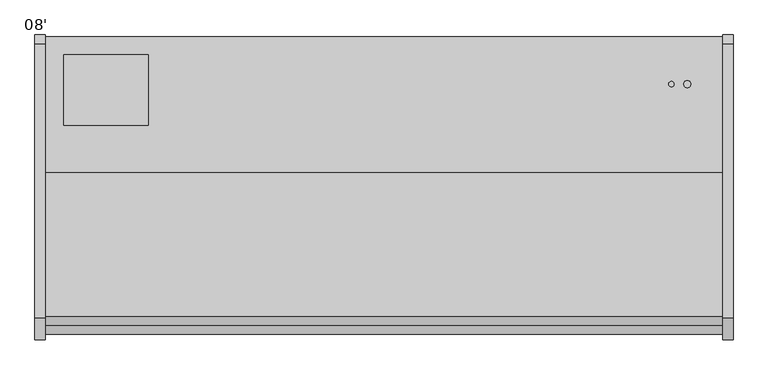
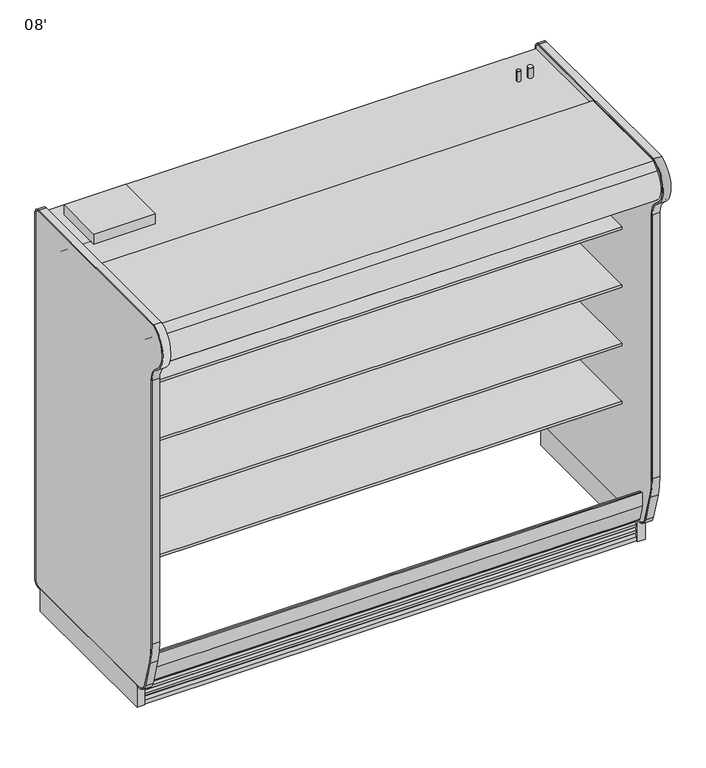
"""IFC4 building model written with IfcOpenShell, lengths in millimetres: proxy geometry, 08'."""

from ifc_helpers import new_model, si_unit, point, frame, frame_2d, origin, origin_with_axes, place, context, project, spatial, polyline, circle_curve, trimmed, segment, composite_curve, outline, extrude, source, transform, mapped, element, save


def proxy_08_edbfc10b(model_context):
    return source(origin(), model_context, "Body", "SweptSolid", [
        extrude(outline(composite_curve([segment(trimmed(circle_curve(frame_2d((-1337.9666753, 1911.7037149)), 12.7), [point((-1350.6666753, 1911.7037149))], [point((-1325.2666753, 1911.7037149))], False, "CARTESIAN"), True, "CONTINUOUS"), segment(trimmed(circle_curve(frame_2d((-1337.9666753, 1911.7037149)), 12.7), [point((-1325.2666753, 1911.7037149))], [point((-1350.6666753, 1911.7037149))], False, "CARTESIAN"), True, "CONTINUOUS")], self_intersect=False)), frame((0.0, 0.0, 0.0), z_axis=(1.0, 0.0, 0.0), x_axis=(0.0, 1.0, 0.0)), (0.0, 0.0, 1.0), 2438.4),
        extrude(outline(composite_curve([segment(trimmed(circle_curve(frame_2d((-1378.1531837, 1911.7037149)), 12.7), [point((-1390.8531837, 1911.7037149))], [point((-1365.4531837, 1911.7037149))], False, "CARTESIAN"), True, "CONTINUOUS"), segment(trimmed(circle_curve(frame_2d((-1378.1531837, 1911.7037149)), 12.7), [point((-1365.4531837, 1911.7037149))], [point((-1390.8531837, 1911.7037149))], False, "CARTESIAN"), True, "CONTINUOUS")], self_intersect=False)), frame((0.0, 0.0, 0.0), z_axis=(1.0, 0.0, 0.0), x_axis=(0.0, 1.0, 0.0)), (0.0, 0.0, 1.0), 2438.4),
        extrude(outline(composite_curve([segment(trimmed(circle_curve(frame_2d((-1187.8634511, 1917.4033113)), 1.5005821), [point((-1186.3628691, 1917.4033113))], [point((-1187.8634511, 1915.9027293))], False, "CARTESIAN"), True, "CONTINUOUS"), segment(polyline([(-1187.8634511, 1915.9027293), (-1279.5169745, 1915.9027293)]), True, "CONTINUOUS"), segment(trimmed(circle_curve(frame_2d((-1279.5169745, 1917.4033113)), 1.5005821), [point((-1279.5169745, 1915.9027293))], [point((-1281.0175566, 1917.4033113))], False, "CARTESIAN"), True, "CONTINUOUS"), segment(polyline([(-1281.0175566, 1917.4033113), (-1281.0175566, 1947.8625), (-1186.3628691, 1947.8625), (-1186.3628691, 1917.4033113)]), True, "CONTINUOUS")], self_intersect=False)), frame((0.0, 0.0, 0.0), z_axis=(1.0, 0.0, 0.0), x_axis=(0.0, 1.0, 0.0)), (0.0, 0.0, 1.0), 2438.4),
        extrude(outline(polyline([(2400.3, -527.982038), (2400.3, -452.3089273), (2438.4, -452.3089273), (2438.4, -527.982038), (2400.3, -527.982038)])), frame((0.0, 0.0, 478.049844), z_axis=(0.0, 0.0, 1.0), x_axis=(1.0, 0.0, 0.0)), (0.0, 0.0, 1.0), 1406.312656),
        extrude(outline(polyline([(38.1, -452.3089273), (38.1, -527.982038), (0.0, -527.982038), (0.0, -452.3089273), (38.1, -452.3089273)])), frame((0.0, 0.0, 478.049844), z_axis=(0.0, 0.0, 1.0), x_axis=(1.0, 0.0, 0.0)), (0.0, 0.0, 1.0), 1406.312656),
        extrude(outline(composite_curve([segment(polyline([(-1282.9027128, 2000.2), (-452.3089273, 2000.2), (-452.3089273, 1884.3625), (-527.982038, 1884.3625)]), True, "CONTINUOUS"), segment(trimmed(circle_curve(frame_2d((-591.482038, 1884.3625)), 63.5), [point((-527.982038, 1884.3625))], [point((-591.482038, 1947.8625))], True, "CARTESIAN"), True, "CONTINUOUS"), segment(polyline([(-591.482038, 1947.8625), (-1184.4777128, 1947.8625), (-1184.4777128, 1917.4033113)]), True, "CONTINUOUS"), segment(trimmed(circle_curve(frame_2d((-1187.8634511, 1917.4033113)), 3.3857383), [point((-1184.4777128, 1917.4033113))], [point((-1187.8634511, 1914.017573))], False, "CARTESIAN"), True, "CONTINUOUS"), segment(polyline([(-1187.8634511, 1914.017573), (-1195.7812565, 1914.017573)]), True, "CONTINUOUS"), segment(trimmed(circle_curve(frame_2d((-1195.7812565, 1914.9601512)), 0.9425781), [point((-1195.7812565, 1914.017573))], [point((-1195.7812565, 1915.9027293))], False, "CARTESIAN"), True, "CONTINUOUS"), segment(polyline([(-1195.7812565, 1915.9027293), (-1187.8634511, 1915.9027293)]), True, "CONTINUOUS"), segment(trimmed(circle_curve(frame_2d((-1187.8634511, 1917.4033113)), 1.5005821), [point((-1187.8634511, 1915.9027293))], [point((-1186.3628691, 1917.4033113))], True, "CARTESIAN"), True, "CONTINUOUS"), segment(polyline([(-1186.3628691, 1917.4033113), (-1186.3628691, 1947.8625), (-1281.0175566, 1947.8625), (-1281.0175566, 1917.4033113)]), True, "CONTINUOUS"), segment(trimmed(circle_curve(frame_2d((-1279.5169745, 1917.4033113)), 1.5005821), [point((-1281.0175566, 1917.4033113))], [point((-1279.5169745, 1915.9027293))], True, "CARTESIAN"), True, "CONTINUOUS"), segment(polyline([(-1279.5169745, 1915.9027293), (-1271.5991691, 1915.9027293)]), True, "CONTINUOUS"), segment(trimmed(circle_curve(frame_2d((-1271.5991691, 1914.9601512)), 0.9425781), [point((-1271.5991691, 1915.9027293))], [point((-1271.5991691, 1914.017573))], False, "CARTESIAN"), True, "CONTINUOUS"), segment(polyline([(-1271.5991691, 1914.017573), (-1279.5169745, 1914.017573)]), True, "CONTINUOUS"), segment(trimmed(circle_curve(frame_2d((-1279.5169745, 1917.4033113)), 3.3857383), [point((-1279.5169745, 1914.017573))], [point((-1282.9027128, 1917.4033113))], False, "CARTESIAN"), True, "CONTINUOUS"), segment(polyline([(-1282.9027128, 1917.4033113), (-1282.9027128, 1947.8625), (-1282.9027128, 2000.2)]), True, "CONTINUOUS")], self_intersect=False)), frame((0.0, 0.0, 0.0), z_axis=(1.0, 0.0, 0.0), x_axis=(0.0, 1.0, 0.0)), (0.0, 0.0, 1.0), 2438.4),
        extrude(outline(composite_curve([segment(polyline([(-1137.582038, 651.7879305), (-527.982038, 651.7879305), (-527.982038, 591.2278792), (-535.6697275, 591.2278792)]), True, "CONTINUOUS"), segment(trimmed(circle_curve(frame_2d((-535.6697275, 646.8832097)), 55.6553306), [point((-535.6697275, 591.2278792))], [point((-567.5923137, 601.2930319))], False, "CARTESIAN"), True, "CONTINUOUS"), segment(polyline([(-567.5923137, 601.2930319), (-571.1163519, 603.76059)]), True, "CONTINUOUS"), segment(trimmed(circle_curve(frame_2d((-614.8228763, 541.3412043)), 76.2), [point((-571.1163519, 603.76059))], [point((-610.8348764, 617.4367748))], True, "CARTESIAN"), True, "CONTINUOUS"), segment(polyline([(-610.8348764, 617.4367748), (-902.632038, 632.7292161), (-902.632038, 639.0879305), (-1137.582038, 639.0879305), (-1137.582038, 651.7879305)]), True, "CONTINUOUS")], self_intersect=False)), frame((0.0, 0.0, 0.0), z_axis=(1.0, 0.0, 0.0), x_axis=(0.0, 1.0, 0.0)), (0.0, 0.0, 1.0), 2438.4),
        extrude(outline(composite_curve([segment(polyline([(-1137.582038, 956.5879305), (-527.982038, 956.5879305), (-527.982038, 896.0278792), (-535.6697275, 896.0278792)]), True, "CONTINUOUS"), segment(trimmed(circle_curve(frame_2d((-535.6697275, 951.6832097)), 55.6553306), [point((-535.6697275, 896.0278792))], [point((-567.5923137, 906.0930319))], False, "CARTESIAN"), True, "CONTINUOUS"), segment(polyline([(-567.5923137, 906.0930319), (-571.1163519, 908.56059)]), True, "CONTINUOUS"), segment(trimmed(circle_curve(frame_2d((-614.8228763, 846.1412043)), 76.2), [point((-571.1163519, 908.56059))], [point((-610.8348764, 922.2367748))], True, "CARTESIAN"), True, "CONTINUOUS"), segment(polyline([(-610.8348764, 922.2367748), (-902.632038, 937.5292161), (-902.632038, 943.8879305), (-1137.582038, 943.8879305), (-1137.582038, 956.5879305)]), True, "CONTINUOUS")], self_intersect=False)), frame((0.0, 0.0, 0.0), z_axis=(1.0, 0.0, 0.0), x_axis=(0.0, 1.0, 0.0)), (0.0, 0.0, 1.0), 2438.4),
        extrude(outline(composite_curve([segment(polyline([(-1137.582038, 1261.3879305), (-527.982038, 1261.3879305), (-527.982038, 1200.8278792), (-535.6697275, 1200.8278792)]), True, "CONTINUOUS"), segment(trimmed(circle_curve(frame_2d((-535.6697275, 1256.4832097)), 55.6553306), [point((-535.6697275, 1200.8278792))], [point((-567.5923137, 1210.8930319))], False, "CARTESIAN"), True, "CONTINUOUS"), segment(polyline([(-567.5923137, 1210.8930319), (-571.1163519, 1213.36059)]), True, "CONTINUOUS"), segment(trimmed(circle_curve(frame_2d((-614.8228763, 1150.9412043)), 76.2), [point((-571.1163519, 1213.36059))], [point((-610.8348764, 1227.0367748))], True, "CARTESIAN"), True, "CONTINUOUS"), segment(polyline([(-610.8348764, 1227.0367748), (-902.632038, 1242.3292161), (-902.632038, 1248.6879305), (-1137.582038, 1248.6879305), (-1137.582038, 1261.3879305)]), True, "CONTINUOUS")], self_intersect=False)), frame((0.0, 0.0, 0.0), z_axis=(1.0, 0.0, 0.0), x_axis=(0.0, 1.0, 0.0)), (0.0, 0.0, 1.0), 2438.4),
        extrude(outline(polyline([(2438.4, -401.5089273), (2438.4, -452.3089273), (0.0, -452.3089273), (0.0, -401.5089273), (2438.4, -401.5089273)])), frame((0.0, 0.0, 393.7), z_axis=(0.0, 0.0, 1.0), x_axis=(1.0, 0.0, 0.0)), (0.0, 0.0, 1.0), 71.9841995),
        extrude(outline(composite_curve([segment(polyline([(-1137.582038, 1566.1879305), (-527.982038, 1566.1879305), (-527.982038, 1505.6278792), (-535.6697275, 1505.6278792)]), True, "CONTINUOUS"), segment(trimmed(circle_curve(frame_2d((-535.6697275, 1561.2832097)), 55.6553306), [point((-535.6697275, 1505.6278792))], [point((-567.5923137, 1515.6930319))], False, "CARTESIAN"), True, "CONTINUOUS"), segment(polyline([(-567.5923137, 1515.6930319), (-571.1163519, 1518.16059)]), True, "CONTINUOUS"), segment(trimmed(circle_curve(frame_2d((-614.8228763, 1455.7412043)), 76.2), [point((-571.1163519, 1518.16059))], [point((-610.8348764, 1531.8367748))], True, "CARTESIAN"), True, "CONTINUOUS"), segment(polyline([(-610.8348764, 1531.8367748), (-902.632038, 1547.1292161), (-902.632038, 1553.4879305), (-1137.582038, 1553.4879305), (-1137.582038, 1566.1879305)]), True, "CONTINUOUS")], self_intersect=False)), frame((0.0, 0.0, 0.0), z_axis=(1.0, 0.0, 0.0), x_axis=(0.0, 1.0, 0.0)), (0.0, 0.0, 1.0), 2438.4),
        extrude(outline(composite_curve([segment(polyline([(-1316.0112399, 213.7963689), (-1316.0112399, 284.6022311)]), True, "CONTINUOUS"), segment(trimmed(circle_curve(frame_2d((-1302.3438406, 305.5225165)), 24.9891205), [point((-1316.0112399, 284.6022311))], [point((-1302.3438406, 280.533396))], True, "CARTESIAN"), True, "CONTINUOUS"), segment(polyline([(-1302.3438406, 280.533396), (-1295.500747, 280.533396), (-1295.500747, 255.4053459), (-1252.6956225, 219.4875818), (-1252.6956225, 117.4155263)]), True, "CONTINUOUS"), segment(trimmed(circle_curve(frame_2d((-845.835201, 502.4522566)), 560.1684446), [point((-1252.6956225, 117.4155263))], [point((-1274.9491252, 142.3829211))], False, "CARTESIAN"), True, "CONTINUOUS"), segment(trimmed(circle_curve(frame_2d((-1276.1652207, 141.3624958)), 1.5875), [point((-1274.9491252, 142.3829211))], [point((-1277.2877528, 142.4850278))], True, "CARTESIAN"), True, "CONTINUOUS"), segment(polyline([(-1277.2877528, 142.4850278), (-1289.6939555, 130.0788251)]), True, "CONTINUOUS"), segment(trimmed(circle_curve(frame_2d((-1291.4630659, 131.8479356)), 2.5019), [point((-1289.6939555, 130.0788251))], [point((-1293.8797157, 131.2003962))], False, "CARTESIAN"), True, "CONTINUOUS"), segment(polyline([(-1293.8797157, 131.2003962), (-1316.0112399, 213.7963689)]), True, "CONTINUOUS")], self_intersect=False)), frame((0.0, 0.0, 0.0), z_axis=(1.0, 0.0, 0.0), x_axis=(0.0, 1.0, 0.0)), (0.0, 0.0, 1.0), 2438.4),
        extrude(outline(composite_curve([segment(trimmed(circle_curve(frame_2d((-1264.8397493, 35.1748572)), 13.7058546), [point((-1265.3755728, 21.4794805))], [point((-1251.7577699, 31.0867934))], True, "CARTESIAN"), True, "CONTINUOUS"), segment(polyline([(-1251.7577699, 31.0867934), (-1248.2686728, 42.2520535), (-1258.9058681, 40.0942307), (-1260.8997681, 40.0942307), (-1260.8997681, 52.7942307)]), True, "CONTINUOUS"), segment(trimmed(circle_curve(frame_2d((-1265.3176359, 66.2963779)), 14.2065314), [point((-1260.8997681, 52.7942307))], [point((-1251.7577699, 62.0589765))], True, "CARTESIAN"), True, "CONTINUOUS"), segment(polyline([(-1251.7577699, 62.0589765), (-1248.2686728, 73.2242366), (-1258.9058681, 71.0664138), (-1260.8997681, 71.0664138), (-1260.8997681, 83.7664138)]), True, "CONTINUOUS"), segment(trimmed(circle_curve(frame_2d((-1265.3900112, 97.3399774)), 14.2969897), [point((-1260.8997681, 83.7664138))], [point((-1251.7577699, 93.0311596))], True, "CARTESIAN"), True, "CONTINUOUS"), segment(polyline([(-1251.7577699, 93.0311596), (-1248.2686728, 104.0699677), (-1258.9058681, 102.0387838), (-1260.8997681, 102.0387838), (-1260.8997681, 114.7387838)]), True, "CONTINUOUS"), segment(trimmed(circle_curve(frame_2d((-1260.3020035, 125.7034438)), 10.9809422), [point((-1260.8997681, 114.7387838))], [point((-1252.6956225, 117.7835915))], True, "CARTESIAN"), True, "CONTINUOUS"), segment(polyline([(-1252.6956225, 117.7835915), (-1252.6956225, 219.4875818), (-1243.1039054, 211.4391755), (-1243.1039054, 0.0), (-1265.3755728, 0.0), (-1265.3755728, 21.4794805)]), True, "CONTINUOUS")], self_intersect=False)), frame((0.0, 0.0, 0.0), z_axis=(1.0, 0.0, 0.0), x_axis=(0.0, 1.0, 0.0)), (0.0, 0.0, 1.0), 2438.4),
        extrude(outline(composite_curve([segment(polyline([(-890.8314059, 2074.8625), (-890.8314059, 2051.0), (-1292.0964273, 2051.0), (-1292.0964273, 2000.2), (-1282.9027128, 2000.2), (-1282.9027128, 1917.6586919), (-1288.7578303, 1917.6586919), (-1332.0119561, 1944.5671584), (-1415.8982895, 1944.5671584), (-1421.3165175, 1915.1925269), (-1429.4114869, 1908.6350237), (-1431.1703197, 1902.7826624), (-1436.3002256, 1894.7790745)]), True, "CONTINUOUS"), segment(trimmed(circle_curve(frame_2d((-1441.4408719, 1899.6852346)), 7.1060996), [point((-1436.3002256, 1894.7790745))], [point((-1446.7461506, 1894.9575851))], False, "CARTESIAN"), True, "CONTINUOUS"), segment(trimmed(circle_curve(frame_2d((-1368.0313829, 1965.1020309)), 105.4336661), [point((-1446.7461506, 1894.9575851))], [point((-1441.0920056, 2041.1178408))], False, "CARTESIAN"), True, "CONTINUOUS"), segment(trimmed(circle_curve(frame_2d((-1908.0386185, 2526.9517083)), 673.8498988), [point((-1441.0920056, 2041.1178408))], [point((-1408.3496814, 2074.8625))], True, "CARTESIAN"), True, "CONTINUOUS"), segment(polyline([(-1408.3496814, 2074.8625), (-890.8314059, 2074.8625)]), True, "CONTINUOUS")], self_intersect=False)), frame((0.0, 0.0, 0.0), z_axis=(1.0, 0.0, 0.0), x_axis=(0.0, 1.0, 0.0)), (0.0, 0.0, 1.0), 2438.4),
        extrude(outline(polyline([(-1292.0964273, 2051.0), (-401.5089273, 2051.0), (-401.5089273, 1957.9495083), (-452.3089273, 1957.9495083), (-452.3089273, 2000.2), (-1292.0964273, 2000.2), (-1292.0964273, 2051.0)])), frame((0.0, 0.0, 0.0), z_axis=(1.0, 0.0, 0.0), x_axis=(0.0, 1.0, 0.0)), (0.0, 0.0, 1.0), 2438.4),
        extrude(outline(composite_curve([segment(polyline([(-1392.2290939, 1784.9016892), (-1392.2290939, 406.0850007)]), True, "CONTINUOUS"), segment(trimmed(circle_curve(frame_2d((-1008.617536, 406.0850007)), 383.611558), [point((-1392.2290939, 406.0850007))], [point((-1377.3686327, 300.3473252))], True, "CARTESIAN"), True, "CONTINUOUS"), segment(polyline([(-1377.3686327, 300.3473252), (-1336.7287575, 158.6192373)]), True, "CONTINUOUS"), segment(trimmed(circle_curve(frame_2d((-1281.7926516, 174.3719121)), 57.15), [point((-1336.7287575, 158.6192373))], [point((-1281.7926516, 117.2219121))], True, "CARTESIAN"), True, "CONTINUOUS"), segment(polyline([(-1281.7926516, 117.2219121), (-1271.7255728, 117.2219121), (-1271.7255728, 110.8719121), (-1281.7926516, 110.8719121)]), True, "CONTINUOUS"), segment(trimmed(circle_curve(frame_2d((-1281.7926516, 174.3719121)), 63.5), [point((-1281.7926516, 110.8719121))], [point((-1342.8327693, 156.8689401))], False, "CARTESIAN"), True, "CONTINUOUS"), segment(polyline([(-1342.8327693, 156.8689401), (-1383.4726445, 298.597028)]), True, "CONTINUOUS"), segment(trimmed(circle_curve(frame_2d((-1008.617536, 406.0850007)), 389.961558), [point((-1383.4726445, 298.597028))], [point((-1398.5790939, 406.0850007))], False, "CARTESIAN"), True, "CONTINUOUS"), segment(polyline([(-1398.5790939, 406.0850007), (-1398.5790939, 1784.8396714)]), True, "CONTINUOUS"), segment(trimmed(circle_curve(frame_2d((-1502.3774091, 1782.7814147)), 103.8187201), [point((-1398.5790939, 1784.8396714))], [point((-1440.9312958, 1866.4635622))], True, "CARTESIAN"), True, "CONTINUOUS"), segment(trimmed(circle_curve(frame_2d((-1365.394948, 1969.3348988)), 127.6254353), [point((-1440.9312958, 1866.4635622))], [point((-1413.4837019, 2087.5538628))], False, "CARTESIAN"), True, "CONTINUOUS"), segment(polyline([(-1413.4837019, 2087.5538628), (-426.9089273, 2087.5538628)]), True, "CONTINUOUS"), segment(trimmed(circle_curve(frame_2d((-426.9089273, 2055.8038628)), 31.75), [point((-426.9089273, 2087.5538628))], [point((-395.1589273, 2055.8038628))], False, "CARTESIAN"), True, "CONTINUOUS"), segment(polyline([(-395.1589273, 2055.8038628), (-395.1589273, 142.6219121)]), True, "CONTINUOUS"), segment(trimmed(circle_curve(frame_2d((-426.9089273, 142.6219121)), 31.75), [point((-395.1589273, 142.6219121))], [point((-426.9089273, 110.8719121))], False, "CARTESIAN"), True, "CONTINUOUS"), segment(polyline([(-426.9089273, 110.8719121), (-441.59655, 110.8719121), (-441.59655, 117.2219121), (-426.9089273, 117.2219121)]), True, "CONTINUOUS"), segment(trimmed(circle_curve(frame_2d((-426.9089273, 142.6219121)), 25.4), [point((-426.9089273, 117.2219121))], [point((-401.5089273, 142.6219121))], True, "CARTESIAN"), True, "CONTINUOUS"), segment(polyline([(-401.5089273, 142.6219121), (-401.5089273, 2055.8038628)]), True, "CONTINUOUS"), segment(trimmed(circle_curve(frame_2d((-426.9089273, 2055.8038628)), 25.4), [point((-401.5089273, 2055.8038628))], [point((-426.9089273, 2081.2038628))], True, "CARTESIAN"), True, "CONTINUOUS"), segment(polyline([(-426.9089273, 2081.2038628), (-1412.2251313, 2081.2038628)]), True, "CONTINUOUS"), segment(trimmed(circle_curve(frame_2d((-1365.394948, 1969.3348988)), 121.2754353), [point((-1412.2251313, 2081.2038628))], [point((-1437.1729869, 1871.5819227))], True, "CARTESIAN"), True, "CONTINUOUS"), segment(trimmed(circle_curve(frame_2d((-1502.3774091, 1782.7814147)), 110.1687201), [point((-1437.1729869, 1871.5819227))], [point((-1392.2290939, 1784.9016892))], False, "CARTESIAN"), True, "CONTINUOUS")], self_intersect=False)), frame((2438.4, 0.0, 0.0), z_axis=(1.0, 0.0, 0.0), x_axis=(0.0, 1.0, 0.0)), (0.0, 0.0, 1.0), 38.1),
        extrude(outline(polyline([(2476.5, -441.59655), (2476.5, -1271.7255728), (2438.4, -1271.7255728), (2438.4, -441.59655), (2476.5, -441.59655)])), origin_with_axes(), (0.0, 0.0, 1.0), 117.2219121),
        extrude(outline(composite_curve([segment(trimmed(circle_curve(frame_2d((-1502.3774091, 1782.7814147)), 110.1687201), [point((-1392.2086889, 1782.7814147))], [point((-1437.1729869, 1871.5819227))], True, "CARTESIAN"), True, "CONTINUOUS"), segment(trimmed(circle_curve(frame_2d((-1365.394948, 1969.3348988)), 121.2754353), [point((-1437.1729869, 1871.5819227))], [point((-1412.2303514, 2081.2016775))], False, "CARTESIAN"), True, "CONTINUOUS"), segment(polyline([(-1412.2303514, 2081.2016775), (-426.9083815, 2081.2016775)]), True, "CONTINUOUS"), segment(trimmed(circle_curve(frame_2d((-426.9083815, 2055.8027705)), 25.398907), [point((-426.9083815, 2081.2016775))], [point((-401.5094745, 2055.8027705))], False, "CARTESIAN"), True, "CONTINUOUS"), segment(polyline([(-401.5094745, 2055.8027705), (-401.5094745, 142.6217775)]), True, "CONTINUOUS"), segment(trimmed(circle_curve(frame_2d((-426.9091995, 142.6217775)), 25.399725), [point((-401.5094745, 142.6217775))], [point((-426.9091995, 117.2220525))], False, "CARTESIAN"), True, "CONTINUOUS"), segment(polyline([(-426.9091995, 117.2220525), (-1281.7926764, 117.2220525)]), True, "CONTINUOUS"), segment(trimmed(circle_curve(frame_2d((-1281.7926764, 174.3719863)), 57.1499338), [point((-1281.7926764, 117.2220525))], [point((-1336.7287079, 158.6192921))], False, "CARTESIAN"), True, "CONTINUOUS"), segment(polyline([(-1336.7287079, 158.6192921), (-1377.3492273, 300.3505979)]), True, "CONTINUOUS"), segment(trimmed(circle_curve(frame_2d((-1008.6072583, 406.0833643)), 383.6014306), [point((-1377.3492273, 300.3505979))], [point((-1392.2086889, 406.0833643))], False, "CARTESIAN"), True, "CONTINUOUS"), segment(polyline([(-1392.2086889, 406.0833643), (-1392.2086889, 1782.7814147)]), True, "CONTINUOUS")], self_intersect=False)), frame((2438.4, 0.0, 0.0), z_axis=(1.0, 0.0, 0.0), x_axis=(0.0, 1.0, 0.0)), (0.0, 0.0, 1.0), 38.1),
        extrude(outline(composite_curve([segment(polyline([(-1392.2290939, 1784.9016892), (-1392.2290939, 406.0850007)]), True, "CONTINUOUS"), segment(trimmed(circle_curve(frame_2d((-1008.617536, 406.0850007)), 383.611558), [point((-1392.2290939, 406.0850007))], [point((-1377.3686327, 300.3473252))], True, "CARTESIAN"), True, "CONTINUOUS"), segment(polyline([(-1377.3686327, 300.3473252), (-1336.7287575, 158.6192373)]), True, "CONTINUOUS"), segment(trimmed(circle_curve(frame_2d((-1281.7926516, 174.3719121)), 57.15), [point((-1336.7287575, 158.6192373))], [point((-1281.7926516, 117.2219121))], True, "CARTESIAN"), True, "CONTINUOUS"), segment(polyline([(-1281.7926516, 117.2219121), (-1271.7255728, 117.2219121), (-1271.7255728, 110.8719121), (-1281.7926516, 110.8719121)]), True, "CONTINUOUS"), segment(trimmed(circle_curve(frame_2d((-1281.7926516, 174.3719121)), 63.5), [point((-1281.7926516, 110.8719121))], [point((-1342.8327693, 156.8689401))], False, "CARTESIAN"), True, "CONTINUOUS"), segment(polyline([(-1342.8327693, 156.8689401), (-1383.4726445, 298.597028)]), True, "CONTINUOUS"), segment(trimmed(circle_curve(frame_2d((-1008.617536, 406.0850007)), 389.961558), [point((-1383.4726445, 298.597028))], [point((-1398.5790939, 406.0850007))], False, "CARTESIAN"), True, "CONTINUOUS"), segment(polyline([(-1398.5790939, 406.0850007), (-1398.5790939, 1784.8396714)]), True, "CONTINUOUS"), segment(trimmed(circle_curve(frame_2d((-1502.3774091, 1782.7814147)), 103.8187201), [point((-1398.5790939, 1784.8396714))], [point((-1440.9312958, 1866.4635622))], True, "CARTESIAN"), True, "CONTINUOUS"), segment(trimmed(circle_curve(frame_2d((-1365.394948, 1969.3348988)), 127.6254353), [point((-1440.9312958, 1866.4635622))], [point((-1413.4837019, 2087.5538628))], False, "CARTESIAN"), True, "CONTINUOUS"), segment(polyline([(-1413.4837019, 2087.5538628), (-426.9089273, 2087.5538628)]), True, "CONTINUOUS"), segment(trimmed(circle_curve(frame_2d((-426.9089273, 2055.8038628)), 31.75), [point((-426.9089273, 2087.5538628))], [point((-395.1589273, 2055.8038628))], False, "CARTESIAN"), True, "CONTINUOUS"), segment(polyline([(-395.1589273, 2055.8038628), (-395.1589273, 142.6219121)]), True, "CONTINUOUS"), segment(trimmed(circle_curve(frame_2d((-426.9089273, 142.6219121)), 31.75), [point((-395.1589273, 142.6219121))], [point((-426.9089273, 110.8719121))], False, "CARTESIAN"), True, "CONTINUOUS"), segment(polyline([(-426.9089273, 110.8719121), (-441.59655, 110.8719121), (-441.59655, 117.2219121), (-426.9089273, 117.2219121)]), True, "CONTINUOUS"), segment(trimmed(circle_curve(frame_2d((-426.9089273, 142.6219121)), 25.4), [point((-426.9089273, 117.2219121))], [point((-401.5089273, 142.6219121))], True, "CARTESIAN"), True, "CONTINUOUS"), segment(polyline([(-401.5089273, 142.6219121), (-401.5089273, 2055.8038628)]), True, "CONTINUOUS"), segment(trimmed(circle_curve(frame_2d((-426.9089273, 2055.8038628)), 25.4), [point((-401.5089273, 2055.8038628))], [point((-426.9089273, 2081.2038628))], True, "CARTESIAN"), True, "CONTINUOUS"), segment(polyline([(-426.9089273, 2081.2038628), (-1412.2251313, 2081.2038628)]), True, "CONTINUOUS"), segment(trimmed(circle_curve(frame_2d((-1365.394948, 1969.3348988)), 121.2754353), [point((-1412.2251313, 2081.2038628))], [point((-1437.1729869, 1871.5819227))], True, "CARTESIAN"), True, "CONTINUOUS"), segment(trimmed(circle_curve(frame_2d((-1502.3774091, 1782.7814147)), 110.1687201), [point((-1437.1729869, 1871.5819227))], [point((-1392.2290939, 1784.9016892))], False, "CARTESIAN"), True, "CONTINUOUS")], self_intersect=False)), frame((-38.1, 0.0, 0.0), z_axis=(1.0, 0.0, 0.0), x_axis=(0.0, 1.0, 0.0)), (0.0, 0.0, 1.0), 38.1),
        extrude(outline(polyline([(-38.1, -1271.7255728), (-38.1, -441.59655), (0.0, -441.59655), (0.0, -1271.7255728), (-38.1, -1271.7255728)])), origin_with_axes(), (0.0, 0.0, 1.0), 117.2219121),
        extrude(outline(composite_curve([segment(trimmed(circle_curve(frame_2d((-1502.3774091, 1782.7814147)), 110.1687201), [point((-1392.2086889, 1782.7814147))], [point((-1437.1729869, 1871.5819227))], True, "CARTESIAN"), True, "CONTINUOUS"), segment(trimmed(circle_curve(frame_2d((-1365.394948, 1969.3348988)), 121.2754353), [point((-1437.1729869, 1871.5819227))], [point((-1412.2303514, 2081.2016775))], False, "CARTESIAN"), True, "CONTINUOUS"), segment(polyline([(-1412.2303514, 2081.2016775), (-426.9083815, 2081.2016775)]), True, "CONTINUOUS"), segment(trimmed(circle_curve(frame_2d((-426.9083815, 2055.8027705)), 25.398907), [point((-426.9083815, 2081.2016775))], [point((-401.5094745, 2055.8027705))], False, "CARTESIAN"), True, "CONTINUOUS"), segment(polyline([(-401.5094745, 2055.8027705), (-401.5094745, 142.6217775)]), True, "CONTINUOUS"), segment(trimmed(circle_curve(frame_2d((-426.9091995, 142.6217775)), 25.399725), [point((-401.5094745, 142.6217775))], [point((-426.9091995, 117.2220525))], False, "CARTESIAN"), True, "CONTINUOUS"), segment(polyline([(-426.9091995, 117.2220525), (-1281.7926764, 117.2220525)]), True, "CONTINUOUS"), segment(trimmed(circle_curve(frame_2d((-1281.7926764, 174.3719863)), 57.1499338), [point((-1281.7926764, 117.2220525))], [point((-1336.7287079, 158.6192921))], False, "CARTESIAN"), True, "CONTINUOUS"), segment(polyline([(-1336.7287079, 158.6192921), (-1377.3492273, 300.3505979)]), True, "CONTINUOUS"), segment(trimmed(circle_curve(frame_2d((-1008.6072583, 406.0833643)), 383.6014306), [point((-1377.3492273, 300.3505979))], [point((-1392.2086889, 406.0833643))], False, "CARTESIAN"), True, "CONTINUOUS"), segment(polyline([(-1392.2086889, 406.0833643), (-1392.2086889, 1782.7814147)]), True, "CONTINUOUS")], self_intersect=False)), frame((-38.1, 0.0, 0.0), z_axis=(1.0, 0.0, 0.0), x_axis=(0.0, 1.0, 0.0)), (0.0, 0.0, 1.0), 38.1),
        extrude(outline(composite_curve([segment(trimmed(circle_curve(frame_2d((2311.4, -572.2387287)), 12.7), [point((2298.7, -572.2387287))], [point((2324.1, -572.2387287))], False, "CARTESIAN"), True, "CONTINUOUS"), segment(trimmed(circle_curve(frame_2d((2311.4, -572.2387287)), 12.7), [point((2324.1, -572.2387287))], [point((2298.7, -572.2387287))], False, "CARTESIAN"), True, "CONTINUOUS")], self_intersect=False)), frame((0.0, 0.0, 2051.0), z_axis=(0.0, 0.0, 1.0), x_axis=(1.0, 0.0, 0.0)), (0.0, 0.0, 1.0), 53.975),
        extrude(outline(composite_curve([segment(trimmed(circle_curve(frame_2d((2254.25, -572.2387287)), 9.525), [point((2244.725, -572.2387287))], [point((2263.775, -572.2387287))], False, "CARTESIAN"), True, "CONTINUOUS"), segment(trimmed(circle_curve(frame_2d((2254.25, -572.2387287)), 9.525), [point((2263.775, -572.2387287))], [point((2244.725, -572.2387287))], False, "CARTESIAN"), True, "CONTINUOUS")], self_intersect=False)), frame((0.0, 0.0, 2051.0), z_axis=(0.0, 0.0, 1.0), x_axis=(1.0, 0.0, 0.0)), (0.0, 0.0, 1.0), 53.975),
        extrude(outline(polyline([(370.1997555, -466.627867), (370.1997555, -720.627867), (65.0533576, -720.627867), (65.0533576, -466.627867), (370.1997555, -466.627867)])), frame((0.0, 0.0, 2051.0), z_axis=(0.0, 0.0, 1.0), x_axis=(1.0, 0.0, 0.0)), (0.0, 0.0, 1.0), 53.975),
    ])


if __name__ == "__main__":
    model = new_model("IFC4")
    model_context = context("Model", 3, world=origin())
    ifc_project = project(units=[si_unit("LENGTHUNIT", "METRE", prefix="MILLI")], contexts=[model_context])
    site = spatial("IfcSite", under=ifc_project)
    building = spatial("IfcBuilding", under=site)
    placement = place(None, origin())
    proxy_08_shape = proxy_08_edbfc10b(model_context)
    element("IfcBuildingElementProxy", 1, Name="08'", ObjectType="08'", at=placement, inside=building, context=model_context, shape_type="MappedRepresentation", body=[
        mapped(proxy_08_shape, transform((0.0, 0.0, 0.0), x_axis=(1.0, 0.0, 0.0), y_axis=(0.0, 1.0, 0.0), z_axis=(0.0, 0.0, 1.0))),
    ])
    save(model, "model.ifc")
